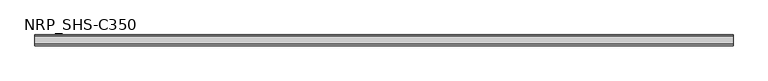
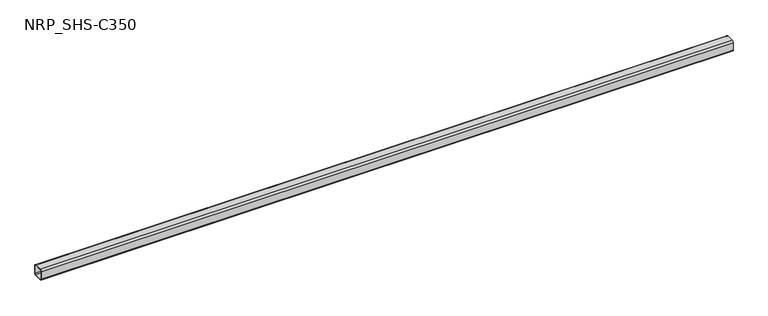
"""IFC4 building model written with IfcOpenShell, lengths in millimetres: member geometry, NRP_SHS-C350."""

from ifc_helpers import new_model, si_unit, point, frame, frame_2d, origin, place, context, project, spatial, polyline, circle_curve, trimmed, segment, composite_curve, outline, extrude, source, transform, mapped, element, save


def nrp_shs_c350_69f727c9(model_context):
    return source(origin(), model_context, "Body", "SweptSolid", [
        extrude(outline(composite_curve([segment(trimmed(circle_curve(frame_2d((-32.0, 32.0)), 12.5), [point((-44.5, 32.0))], [point((-32.0, 44.5))], False, "CARTESIAN"), True, "CONTINUOUS"), segment(polyline([(-32.0, 44.5), (32.0, 44.5)]), True, "CONTINUOUS"), segment(trimmed(circle_curve(frame_2d((32.0, 32.0)), 12.5), [point((32.0, 44.5))], [point((44.5, 32.0))], False, "CARTESIAN"), True, "CONTINUOUS"), segment(polyline([(44.5, 32.0), (44.5, -32.0)]), True, "CONTINUOUS"), segment(trimmed(circle_curve(frame_2d((32.0, -32.0)), 12.5), [point((44.5, -32.0))], [point((32.0, -44.5))], False, "CARTESIAN"), True, "CONTINUOUS"), segment(polyline([(32.0, -44.5), (-32.0, -44.5)]), True, "CONTINUOUS"), segment(trimmed(circle_curve(frame_2d((-32.0, -32.0)), 12.5), [point((-32.0, -44.5))], [point((-44.5, -32.0))], False, "CARTESIAN"), True, "CONTINUOUS"), segment(polyline([(-44.5, -32.0), (-44.5, 32.0)]), True, "CONTINUOUS")], self_intersect=False), holes=[composite_curve([segment(polyline([(32.0, 39.5), (-32.0, 39.5)]), True, "CONTINUOUS"), segment(trimmed(circle_curve(frame_2d((-32.0, 32.0)), 7.5), [point((-32.0, 39.5))], [point((-39.5, 32.0))], True, "CARTESIAN"), True, "CONTINUOUS"), segment(polyline([(-39.5, 32.0), (-39.5, -32.0)]), True, "CONTINUOUS"), segment(trimmed(circle_curve(frame_2d((-32.0, -32.0)), 7.5), [point((-39.5, -32.0))], [point((-32.0, -39.5))], True, "CARTESIAN"), True, "CONTINUOUS"), segment(polyline([(-32.0, -39.5), (32.0, -39.5)]), True, "CONTINUOUS"), segment(trimmed(circle_curve(frame_2d((32.0, -32.0)), 7.5), [point((32.0, -39.5))], [point((39.5, -32.0))], True, "CARTESIAN"), True, "CONTINUOUS"), segment(polyline([(39.5, -32.0), (39.5, 32.0)]), True, "CONTINUOUS"), segment(trimmed(circle_curve(frame_2d((32.0, 32.0)), 7.5), [point((39.5, 32.0))], [point((32.0, 39.5))], True, "CARTESIAN"), True, "CONTINUOUS")], self_intersect=False)]), frame((-2809.5, 0.0, 0.0), z_axis=(1.0, 0.0, 0.0), x_axis=(0.0, 1.0, 0.0)), (0.0, 0.0, 1.0), 5624.0),
    ])


if __name__ == "__main__":
    model = new_model("IFC4")
    model_context = context("Model", 3, world=origin())
    ifc_project = project(units=[si_unit("LENGTHUNIT", "METRE", prefix="MILLI")], contexts=[model_context])
    site = spatial("IfcSite", under=ifc_project)
    building = spatial("IfcBuilding", under=site)
    placement = place(None, origin())
    nrp_shs_c350_shape = nrp_shs_c350_69f727c9(model_context)
    element("IfcMember", 1, ObjectType="NRP_SHS-C350", at=placement, inside=building, context=model_context, shape_type="MappedRepresentation", body=[
        mapped(nrp_shs_c350_shape, transform((0.0, 0.0, 0.0), x_axis=(1.0, 0.0, 0.0), y_axis=(0.0, 1.0, 0.0), z_axis=(0.0, 0.0, 1.0))),
    ])
    save(model, "model.ifc")
